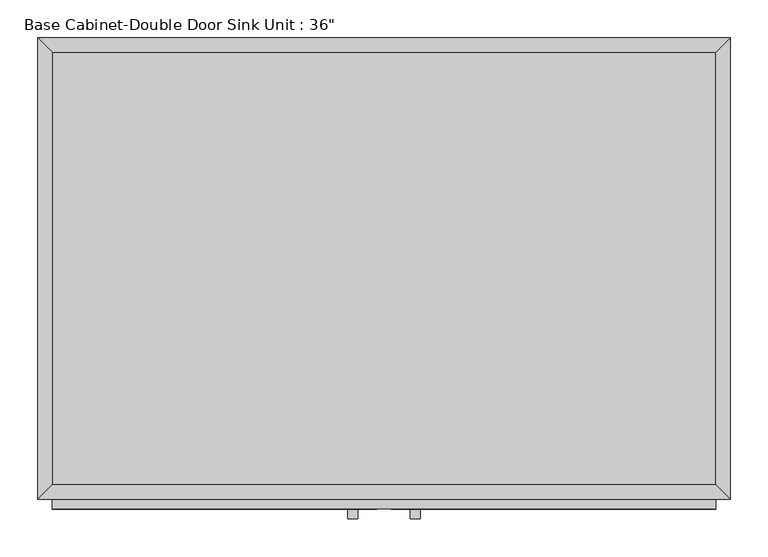
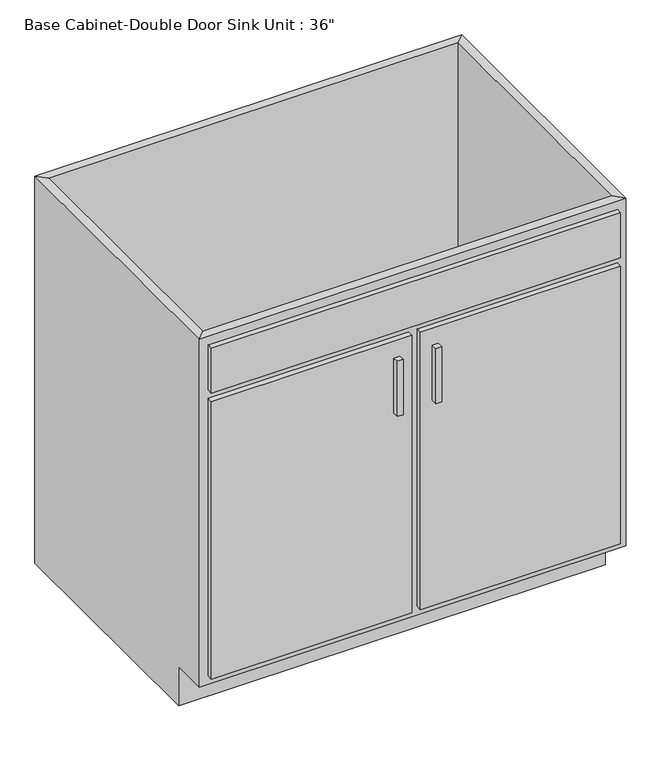
"""IFC4 building model written with IfcOpenShell, lengths in millimetres: furniture geometry."""

from ifc_helpers import new_model, si_unit, frame, origin, place, context, project, spatial, polyline, outline, extrude, faceted_brep, source, transform, mapped, element, save


def furniture_dcdcec85(model_context):
    return source(origin(), model_context, "Body", "SolidModel", [
        faceted_brep([(456.8877049, -590.55, 876.3), (456.8877049, -590.55, 88.9), (-419.4122951, -590.55, 88.9), (-419.4122951, -590.55, 876.3), (-438.4622951, -609.6, 876.3), (475.9377049, -609.6, 876.3), (-438.4622951, -609.6, 88.9), (475.9377049, -609.6, 88.9), (-419.4122951, -533.4, 88.9), (-419.4122951, -19.05, 88.9), (-419.4122951, -19.05, 876.3), (-438.4622951, 0.0, 876.3), (-438.4622951, 0.0, 0.0), (-438.4622951, -533.4, 0.0), (-438.4622951, -533.4, 88.9), (456.8877049, -19.05, 88.9), (456.8877049, -19.05, 876.3), (475.9377049, 0.0, 876.3), (475.9377049, 0.0, 0.0), (456.8877049, -533.4, 88.9), (475.9377049, -533.4, 88.9), (475.9377049, -533.4, 0.0)], [[[0, 1, 2, 3]], [[0, 3, 4, 5]], [[5, 4, 6, 7]], [[2, 1, 7, 6]], [[3, 2, 8, 9, 10]], [[4, 3, 10, 11]], [[6, 4, 11, 12, 13, 14]], [[2, 6, 14, 8]], [[10, 9, 15, 16]], [[11, 10, 16, 17]], [[12, 11, 17, 18]], [[1, 0, 16, 15, 19]], [[0, 5, 17, 16]], [[5, 7, 20, 21, 18, 17]], [[7, 1, 19, 20]], [[8, 19, 15, 9]], [[18, 21, 13, 12]], [[13, 21, 20, 19, 8, 14]]]),
        extrude(outline(polyline([(-16.1872951, -635.0), (-28.8872951, -635.0), (-28.8872951, -622.3), (-16.1872951, -622.3), (-16.1872951, -635.0)])), frame((0.0, 0.0, 573.769895), z_axis=(0.0, 0.0, 1.0), x_axis=(1.0, 0.0, 0.0)), (0.0, 0.0, 1.0), 124.730105),
        extrude(outline(polyline([(66.3627049, -635.0), (53.6627049, -635.0), (53.6627049, -622.3), (66.3627049, -622.3), (66.3627049, -635.0)])), frame((0.0, 0.0, 573.769895), z_axis=(0.0, 0.0, 1.0), x_axis=(1.0, 0.0, 0.0)), (0.0, 0.0, 1.0), 124.730105),
        extrude(outline(polyline([(456.8877049, -19.05), (456.8877049, -590.55), (-419.4122951, -590.55), (-419.4122951, -19.05), (456.8877049, -19.05)])), frame((0.0, 0.0, 88.9), z_axis=(0.0, 0.0, 1.0), x_axis=(1.0, 0.0, 0.0)), (0.0, 0.0, 1.0), 19.05),
        extrude(outline(polyline([(9.2127049, -622.3), (-419.4122951, -622.3), (-419.4122951, -609.6), (9.2127049, -609.6), (9.2127049, -622.3)])), frame((0.0, 0.0, 107.95), z_axis=(0.0, 0.0, 1.0), x_axis=(1.0, 0.0, 0.0)), (0.0, 0.0, 1.0), 628.65),
        extrude(outline(polyline([(456.8877049, -622.3), (28.2627049, -622.3), (28.2627049, -609.6), (456.8877049, -609.6), (456.8877049, -622.3)])), frame((0.0, 0.0, 107.95), z_axis=(0.0, 0.0, 1.0), x_axis=(1.0, 0.0, 0.0)), (0.0, 0.0, 1.0), 628.65),
        extrude(outline(polyline([(456.8877049, -622.3), (-419.4122951, -622.3), (-419.4122951, -609.6), (456.8877049, -609.6), (456.8877049, -622.3)])), frame((0.0, 0.0, 755.65), z_axis=(0.0, 0.0, 1.0), x_axis=(1.0, 0.0, 0.0)), (0.0, 0.0, 1.0), 101.6),
    ])


if __name__ == "__main__":
    model = new_model("IFC4")
    model_context = context("Model", 3, world=origin())
    ifc_project = project(units=[si_unit("LENGTHUNIT", "METRE", prefix="MILLI")], contexts=[model_context])
    site = spatial("IfcSite", under=ifc_project)
    building = spatial("IfcBuilding", under=site)
    placement = place(None, origin())
    furniture_shape = furniture_dcdcec85(model_context)
    element("IfcFurniture", 1, ObjectType="Base Cabinet-Double Door Sink Unit : 36\"", at=placement, inside=building, context=model_context, shape_type="MappedRepresentation", body=[
        mapped(furniture_shape, transform((0.0, 0.0, 0.0), x_axis=(1.0, 0.0, 0.0), y_axis=(0.0, 1.0, 0.0), z_axis=(0.0, 0.0, 1.0))),
    ])
    save(model, "model.ifc")
